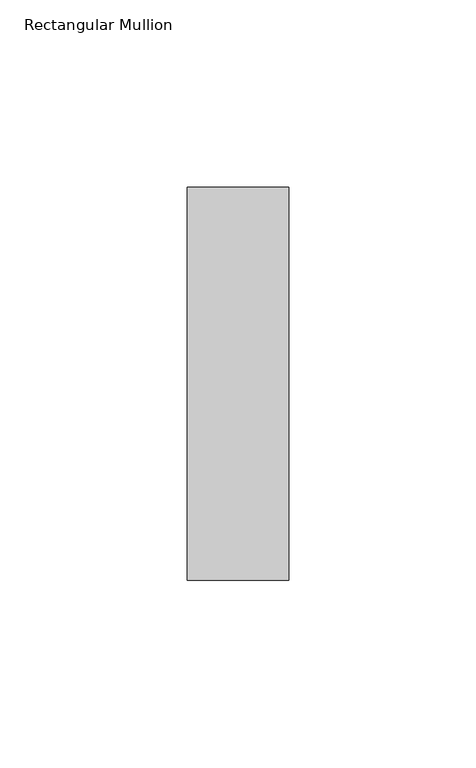
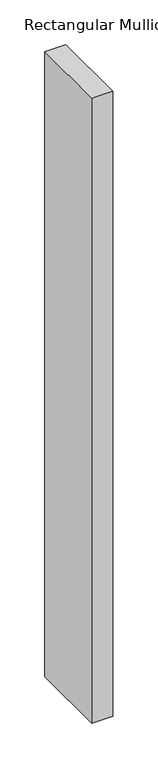
"""IFC4 building model written with IfcOpenShell, lengths in millimetres: member geometry, Rectangular Mullion."""

from ifc_helpers import new_model, si_unit, frame, origin, place, context, project, spatial, polyline, outline, extrude, source, transform, mapped, element, save


def rectangular_mullion_cbc1a075(model_context):
    return source(origin(), model_context, "Body", "SweptSolid", [
        extrude(outline(polyline([(0.0, 52.3975), (0.0, -52.3975), (-27.0, -52.3975), (-27.0, 52.3975), (0.0, 52.3975)])), frame((0.0, 0.0, -850.6875), z_axis=(0.0, 0.0, 1.0), x_axis=(1.0, 0.0, 0.0)), (0.0, 0.0, 1.0), 850.6875),
    ])


if __name__ == "__main__":
    model = new_model("IFC4")
    model_context = context("Model", 3, world=origin())
    ifc_project = project(units=[si_unit("LENGTHUNIT", "METRE", prefix="MILLI")], contexts=[model_context])
    site = spatial("IfcSite", under=ifc_project)
    building = spatial("IfcBuilding", under=site)
    placement = place(None, origin())
    rectangular_mullion_shape = rectangular_mullion_cbc1a075(model_context)
    element("IfcMember", 1, ObjectType="Rectangular Mullion", at=placement, inside=building, context=model_context, shape_type="MappedRepresentation", body=[
        mapped(rectangular_mullion_shape, transform((0.0, 0.0, 0.0), x_axis=(1.0, 0.0, 0.0), y_axis=(0.0, 1.0, 0.0), z_axis=(0.0, 0.0, 1.0))),
    ])
    save(model, "model.ifc")
